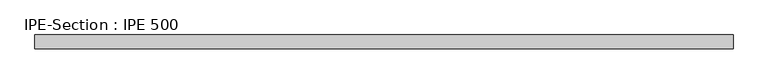
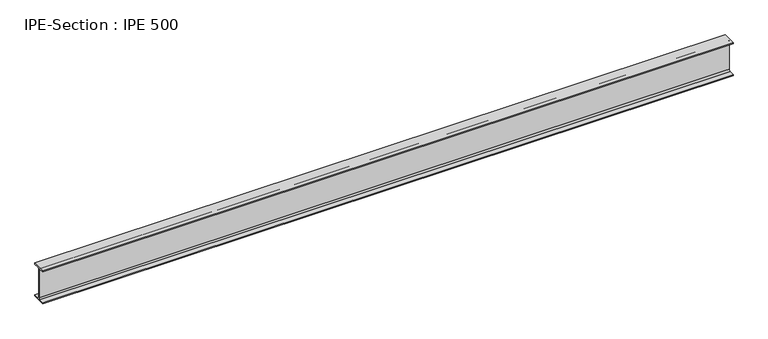
"""IFC4 building model written with IfcOpenShell, lengths in millimetres: beam geometry, IPE-Section : IPE 500."""

from ifc_helpers import new_model, si_unit, point, frame, frame_2d, origin, place, context, project, spatial, polyline, circle_curve, trimmed, segment, composite_curve, outline, extrude, source, transform, mapped, element, save


def ipe_section_ipe_500_75efba81(model_context):
    return source(origin(), model_context, "Body", "SweptSolid", [
        extrude(outline(composite_curve([segment(polyline([(-100.0, -234.0), (-26.1, -234.0)]), True, "CONTINUOUS"), segment(trimmed(circle_curve(frame_2d((-26.1, -213.0)), 21.0), [point((-26.1, -234.0))], [point((-5.1, -213.0))], True, "CARTESIAN"), True, "CONTINUOUS"), segment(polyline([(-5.1, -213.0), (-5.1, 213.0)]), True, "CONTINUOUS"), segment(trimmed(circle_curve(frame_2d((-26.1, 213.0)), 21.0), [point((-5.1, 213.0))], [point((-26.1, 234.0))], True, "CARTESIAN"), True, "CONTINUOUS"), segment(polyline([(-26.1, 234.0), (-100.0, 234.0), (-100.0, 250.0), (100.0, 250.0), (100.0, 234.0), (26.1, 234.0)]), True, "CONTINUOUS"), segment(trimmed(circle_curve(frame_2d((26.1, 213.0)), 21.0), [point((26.1, 234.0))], [point((5.1, 213.0))], True, "CARTESIAN"), True, "CONTINUOUS"), segment(polyline([(5.1, 213.0), (5.1, -213.0)]), True, "CONTINUOUS"), segment(trimmed(circle_curve(frame_2d((26.1, -213.0)), 21.0), [point((5.1, -213.0))], [point((26.1, -234.0))], True, "CARTESIAN"), True, "CONTINUOUS"), segment(polyline([(26.1, -234.0), (100.0, -234.0), (100.0, -250.0), (-100.0, -250.0), (-100.0, -234.0)]), True, "CONTINUOUS")], self_intersect=False)), frame((-4965.55, 0.0, 0.0), z_axis=(1.0, 0.0, 0.0), x_axis=(0.0, 1.0, 0.0)), (0.0, 0.0, 1.0), 9941.6),
    ])


if __name__ == "__main__":
    model = new_model("IFC4")
    model_context = context("Model", 3, world=origin())
    ifc_project = project(units=[si_unit("LENGTHUNIT", "METRE", prefix="MILLI")], contexts=[model_context])
    site = spatial("IfcSite", under=ifc_project)
    building = spatial("IfcBuilding", under=site)
    placement = place(None, origin())
    ipe_section_ipe_500_shape = ipe_section_ipe_500_75efba81(model_context)
    element("IfcBeam", 1, ObjectType="IPE-Section : IPE 500", at=placement, inside=building, context=model_context, shape_type="MappedRepresentation", body=[
        mapped(ipe_section_ipe_500_shape, transform((0.0, 0.0, 0.0), x_axis=(1.0, 0.0, 0.0), y_axis=(0.0, 1.0, 0.0), z_axis=(0.0, 0.0, 1.0))),
    ])
    save(model, "model.ifc")
